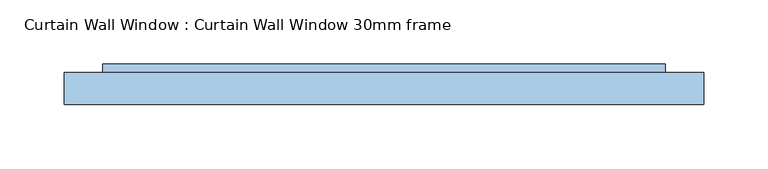
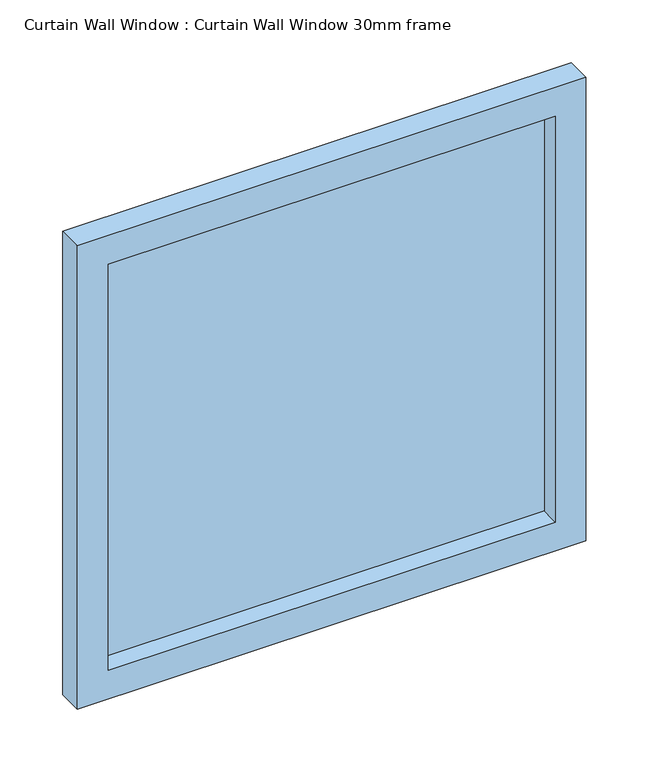
"""IFC4 building model written with IfcOpenShell, lengths in millimetres: window geometry, Curtain Wall Window : Curtain Wall Window 30mm frame."""

import ifcopenshell
import ifcopenshell.guid

model = None  # the IFC model being written
_history = None  # IfcOwnerHistory: only IFC2X3 demands one
_inside = {}  # id of a spatial element -> (the spatial element, [elements in it])
_under = {}  # id of a project, library or spatial element -> (it, [spatial elements below it])
_declared = {}  # id of a project -> (the project, [libraries it declares])
_typed = {}  # id of a type object -> (the type object, [elements of that type])
_made_of = {}  # id of a material, layer set ... -> (it, [elements and type objects made of it])


def new_model(schema):
    """Start an empty IFC model of exactly this schema.

    Asked for "IFC4X3", IfcOpenShell would pick the latest addendum, in which some entities
    have other attributes; the version numbers below select the first issue.
    IFC2X3 requires an IfcOwnerHistory on every rooted entity: one is made here for all.
    """
    global model, _history
    if schema == "IFC4X3":
        model = ifcopenshell.file(schema_version=(4, 3, 0, 0))
    else:
        model = ifcopenshell.file(schema=schema)
    _inside.clear()
    _under.clear()
    _declared.clear()
    _typed.clear()
    _made_of.clear()
    _history = None
    if model.schema == "IFC2X3":
        org = make("IfcOrganization", Name="unknown")
        user = make(
            "IfcPersonAndOrganization",
            ThePerson=make("IfcPerson", FamilyName="unknown"),
            TheOrganization=org,
        )
        app = make(
            "IfcApplication",
            ApplicationDeveloper=org,
            Version="unknown",
            ApplicationFullName="unknown",
            ApplicationIdentifier="unknown",
        )
        _history = make(
            "IfcOwnerHistory",
            OwningUser=user,
            OwningApplication=app,
            ChangeAction="ADDED",
            CreationDate=0,
        )
    return model


def make(cls, **values):
    """One entity of the class cls with the attributes given. An attribute that is None is left unset."""
    return model.create_entity(
        cls, **{name: value for name, value in values.items() if value is not None}
    )


def rooted(cls, **values):
    """An entity with a GlobalId (a new one), such as an element, a storey or a relation."""
    return make(cls, GlobalId=ifcopenshell.guid.new(), OwnerHistory=_history, **values)


def si_unit(unit_type, name, prefix=None):
    """IfcSIUnit, for example si_unit("LENGTHUNIT", "METRE", prefix="MILLI")."""
    return make("IfcSIUnit", UnitType=unit_type, Prefix=prefix, Name=name)


def assignment(units):
    """IfcUnitAssignment: the units of a project."""
    return None if units is None else make("IfcUnitAssignment", Units=units)


def point(xyz):
    """IfcCartesianPoint."""
    return None if xyz is None else make("IfcCartesianPoint", Coordinates=xyz)


def direction(xyz):
    """IfcDirection."""
    return None if xyz is None else make("IfcDirection", DirectionRatios=xyz)


def frame(location, z_axis=None, x_axis=None):
    """IfcAxis2Placement3D, a coordinate frame: its origin and axes. An axis left out is left unset."""
    return make(
        "IfcAxis2Placement3D",
        Location=point(location),
        Axis=direction(z_axis),
        RefDirection=direction(x_axis),
    )


def origin():
    """The frame at (0, 0, 0) with its axes left unset."""
    return frame((0.0, 0.0, 0.0))


def place(relative_to, where):
    """IfcLocalPlacement: puts the frame where relative to a parent placement (None: the world)."""
    return make(
        "IfcLocalPlacement", PlacementRelTo=relative_to, RelativePlacement=where
    )


def context(
    kind, dimensions, precision=None, world=None, true_north=None, identifier=None
):
    """IfcGeometricRepresentationContext, for example the 3D "Model" context."""
    return make(
        "IfcGeometricRepresentationContext",
        ContextIdentifier=identifier,
        ContextType=kind,
        CoordinateSpaceDimension=dimensions,
        Precision=precision,
        WorldCoordinateSystem=world,
        TrueNorth=true_north,
    )


def project(units=None, contexts=None):
    """IfcProject with its units and contexts."""
    return rooted(
        "IfcProject",
        Name="project",
        RepresentationContexts=contexts,
        UnitsInContext=assignment(units),
    )


def spatial(cls, under=None, at=None, **own):
    """A site, building, storey or space (cls), placed at a placement, below another one or the project."""
    s = rooted(cls, ObjectPlacement=at, **own)
    if under is not None:
        _under.setdefault(under.id(), (under, []))[1].append(s)
    return s


def polyline(points):
    """IfcPolyline through the points."""
    return make("IfcPolyline", Points=[point(p) for p in points])


def outline(outer, holes=None, kind="AREA"):
    """IfcArbitraryClosedProfileDef: a profile drawn as a closed curve; with holes, ...WithVoids."""
    if holes is None:
        return make("IfcArbitraryClosedProfileDef", ProfileType=kind, OuterCurve=outer)
    return make(
        "IfcArbitraryProfileDefWithVoids",
        ProfileType=kind,
        OuterCurve=outer,
        InnerCurves=holes,
    )


def extrude(swept, where, along, depth):
    """IfcExtrudedAreaSolid: the profile swept, set in the frame where, extruded along a direction by depth."""
    return make(
        "IfcExtrudedAreaSolid",
        SweptArea=swept,
        Position=where,
        ExtrudedDirection=direction(along),
        Depth=depth,
    )


def shape(context_of_items, identifier, shape_type, items):
    """IfcShapeRepresentation: the items that make up one representation, for example the "Body"."""
    return make(
        "IfcShapeRepresentation",
        ContextOfItems=context_of_items,
        RepresentationIdentifier=identifier,
        RepresentationType=shape_type,
        Items=items,
    )


def source(mapping_origin, context_of_items, identifier, shape_type, items):
    """IfcRepresentationMap: a shape defined once, which mapped items show again and again."""
    return make(
        "IfcRepresentationMap",
        MappingOrigin=mapping_origin,
        MappedRepresentation=shape(context_of_items, identifier, shape_type, items),
    )


def transform(
    local_origin,
    x_axis=None,
    y_axis=None,
    z_axis=None,
    scale=None,
    scale2=None,
    scale3=None,
    uniform=True,
):
    """IfcCartesianTransformationOperator3D, or its non-uniform kind. x_axis, y_axis, z_axis: its Axis1, 2, 3."""
    if uniform:
        return make(
            "IfcCartesianTransformationOperator3D",
            Axis1=direction(x_axis),
            Axis2=direction(y_axis),
            LocalOrigin=point(local_origin),
            Scale=scale,
            Axis3=direction(z_axis),
        )
    return make(
        "IfcCartesianTransformationOperator3DnonUniform",
        Axis1=direction(x_axis),
        Axis2=direction(y_axis),
        LocalOrigin=point(local_origin),
        Scale=scale,
        Axis3=direction(z_axis),
        Scale2=scale2,
        Scale3=scale3,
    )


def mapped(mapping_source, mapping_target):
    """IfcMappedItem: shows the shape of a source again, moved by a transform."""
    return make(
        "IfcMappedItem", MappingSource=mapping_source, MappingTarget=mapping_target
    )


def made_of(thing, what):
    """Note that an element or type object is made of a material, layer set ...; save() writes the relation."""
    if what is not None:
        _made_of.setdefault(what.id(), (what, []))[1].append(thing)
    return thing


def element(
    cls,
    number,
    at=None,
    inside=None,
    cuts=None,
    type_object=None,
    material=None,
    context=None,
    identifier="Body",
    shape_type=None,
    held_by="IfcProductDefinitionShape",
    body=None,
    shapes=None,
    **own,
):
    """One element of the class cls, such as IfcWall. Its Tag is "e" and its number.

    at: its placement. inside: the storey or other place that contains it. cuts: it is an
    opening in that element (IfcRelVoidsElement). A single representation is given by context,
    identifier, shape_type and body (its items); several are given by shapes. held_by: the class
    of the entity that holds the representations. save() writes the other relations.
    """
    e = rooted(cls, Tag="e%d" % number, ObjectPlacement=at, **own)
    if body is not None:
        shapes = [shape(context, identifier, shape_type, body)]
    if shapes is not None:
        e.Representation = make(held_by, Representations=shapes)
    if inside is not None:
        _inside.setdefault(inside.id(), (inside, []))[1].append(e)
    if cuts is not None:
        rooted(
            "IfcRelVoidsElement", RelatingBuildingElement=cuts, RelatedOpeningElement=e
        )
    if type_object is not None:
        _typed.setdefault(type_object.id(), (type_object, []))[1].append(e)
    return made_of(e, material)


def aggregate(whole, parts):
    """IfcRelAggregates: a whole, such as a stair, and the parts it consists of."""
    return rooted("IfcRelAggregates", RelatingObject=whole, RelatedObjects=parts)


def save(model, path):
    """Write the relations noted so far, then the file.

    IfcRelAggregates (storeys below a building ...), IfcRelContainedInSpatialStructure (elements
    in a storey), IfcRelDefinesByType, IfcRelAssociatesMaterial and IfcRelDeclares: one each for
    every whole, place, type object, material and project.
    """
    for whole, parts in _under.values():
        aggregate(whole, parts)
    for where, things in _inside.values():
        rooted(
            "IfcRelContainedInSpatialStructure",
            RelatedElements=things,
            RelatingStructure=where,
        )
    for kind, things in _typed.values():
        rooted("IfcRelDefinesByType", RelatedObjects=things, RelatingType=kind)
    for what, things in _made_of.values():
        rooted("IfcRelAssociatesMaterial", RelatedObjects=things, RelatingMaterial=what)
    for by, libraries in _declared.values():
        rooted("IfcRelDeclares", RelatingContext=by, RelatedDefinitions=libraries)
    model.write(path)


def curtain_wall_window_curtain_wall_window_30mm_frame_596a1c7c(model_context):
    return source(origin(), model_context, "Body", "SweptSolid", [
        extrude(outline(polyline([(219.4999836, 19.05), (-219.4999836, 19.05), (-219.4999836, 31.75), (219.4999836, 31.75), (219.4999836, 19.05)])), frame((0.0, 0.0, 30.0), z_axis=(0.0, 0.0, 1.0), x_axis=(1.0, 0.0, 0.0)), (0.0, 0.0, 1.0), 420.9999999),
        extrude(outline(polyline([(480.9999999, -249.4999836), (0.0, -249.4999836), (0.0, 249.4999836), (480.9999999, 249.4999836), (480.9999999, -249.4999836)]), holes=[polyline([(450.9999999, -219.4999836), (450.9999999, 219.4999836), (30.0, 219.4999836), (30.0, -219.4999836), (450.9999999, -219.4999836)])]), frame((0.0, 0.0, 0.0), z_axis=(0.0, 1.0, 0.0), x_axis=(0.0, 0.0, 1.0)), (0.0, 0.0, 1.0), 25.0),
    ])


if __name__ == "__main__":
    model = new_model("IFC4")
    model_context = context("Model", 3, world=origin())
    ifc_project = project(units=[si_unit("LENGTHUNIT", "METRE", prefix="MILLI")], contexts=[model_context])
    site = spatial("IfcSite", under=ifc_project)
    building = spatial("IfcBuilding", under=site)
    placement = place(None, origin())
    curtain_wall_window_curtain_wall_window_30mm_frame_shape = curtain_wall_window_curtain_wall_window_30mm_frame_596a1c7c(model_context)
    element("IfcWindow", 1, ObjectType="Curtain Wall Window : Curtain Wall Window 30mm frame", at=placement, inside=building, context=model_context, shape_type="MappedRepresentation", body=[
        mapped(curtain_wall_window_curtain_wall_window_30mm_frame_shape, transform((0.0, 0.0, 0.0), x_axis=(1.0, 0.0, 0.0), y_axis=(0.0, 1.0, 0.0), z_axis=(0.0, 0.0, 1.0))),
    ])
    save(model, "model.ifc")
